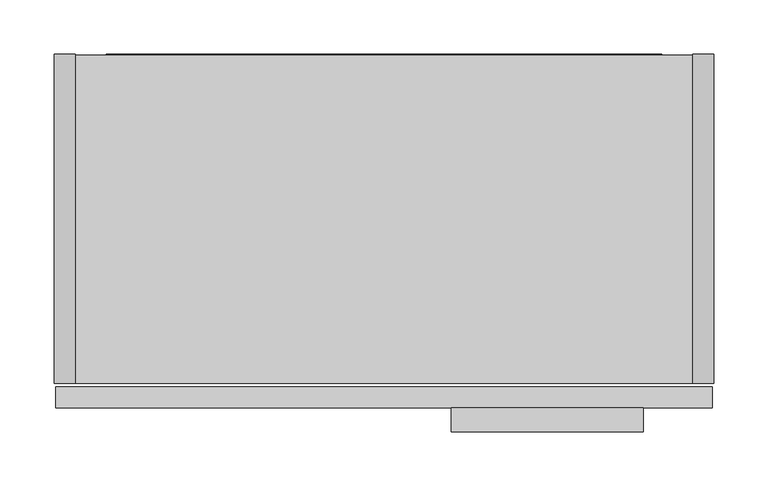
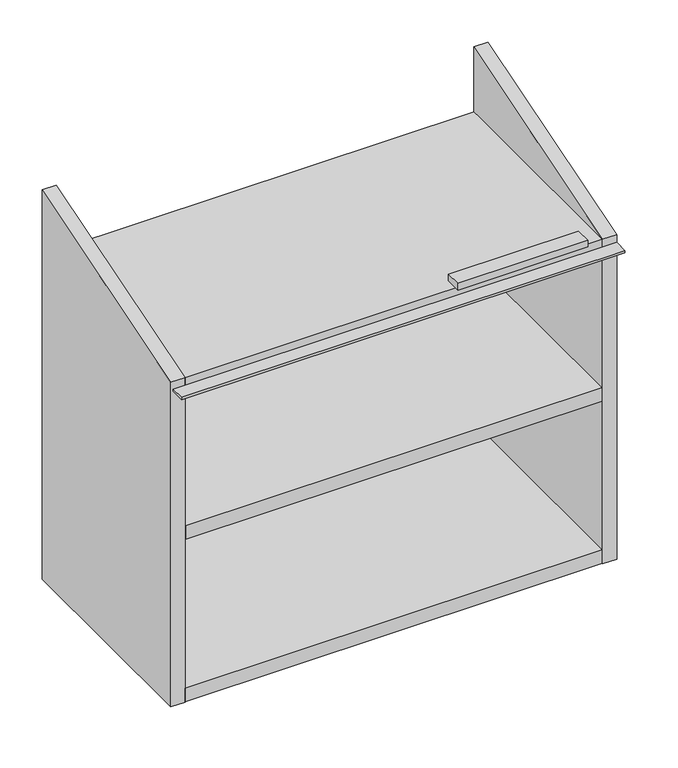
"""IFC4 building model written with IfcOpenShell, lengths in millimetres: furniture geometry."""

from ifc_helpers import new_model, si_unit, frame, origin, place, context, project, spatial, polyline, circle_curve, outline, extrude, faceted_brep, source, transform, mapped, element, save
from ifc_brep_helpers import plane_surface, revolved_surface, advanced_brep


def furniture_af6c60e4(model_context):
    return source(origin(), model_context, "Body", "SolidModel", [
        extrude(outline(polyline([(544.5125, -349.25), (366.7125, -349.25), (366.7125, -327.025), (544.5125, -327.025), (544.5125, -349.25)])), frame((0.0, 0.0, 1898.0531), z_axis=(0.0, 0.0, 1.0), x_axis=(1.0, 0.0, 0.0)), (0.0, 0.0, 1.0), 9.525),
        faceted_brep([(0.0, -304.546, 1397.0), (19.304, -304.546, 1397.0), (19.304, -304.546, 1865.9094), (0.0, -304.546, 1865.9094), (19.304, 0.0, 1959.2544), (19.304, 0.0, 1397.0), (0.0, 0.0, 1397.0), (0.0, 0.0, 1959.2544)], [[[0, 1, 2, 3]], [[4, 5, 6, 7]], [[7, 6, 0, 3]], [[1, 0, 6, 5]], [[5, 4, 2, 1]], [[3, 2, 4, 7]]]),
        extrude(outline(polyline([(589.661, -304.546), (19.939, -304.546), (19.939, -31.242), (589.661, -31.242), (589.661, -304.546)])), frame((0.0, 0.0, 1632.3564), z_axis=(0.0, 0.0, 1.0), x_axis=(1.0, 0.0, 0.0)), (0.0, 0.0, 1.0), 19.304),
        advanced_brep(
        [(590.296, -304.546, 1397.0), (609.6, -304.546, 1397.0), (609.6, -304.546, 1865.9094), (590.296, -304.546, 1865.9094), (609.6, 0.0, 1397.0), (590.296, 0.0, 1397.0), (590.296, 0.0, 1675.8920057), (609.6, 0.0, 1675.8920057), (609.6, 0.0, 1959.2544), (609.6, 0.0, 1790.1919875), (590.296, 0.0, 1790.1919875), (590.296, 0.0, 1959.2544), (590.296, -8.7634487, 1790.1919875), (590.296, -11.938, 1787.0174363), (590.296, -11.938, 1679.0670057), (590.296, -8.763, 1675.8920057), (609.6, -8.763, 1675.8920057), (609.6, -11.938, 1679.0670057), (609.6, -11.938, 1787.0174363), (609.6, -8.7634487, 1790.1919875)],
        [
            (0, 1),
            (1, 2),
            (2, 3),
            (3, 0),
            (4, 5),
            (5, 6),
            (6, 7),
            (7, 4),
            (8, 9),
            (9, 10),
            (10, 11),
            (11, 8),
            (5, 0),
            (3, 11),
            (10, 12),
            (12, 13, circle_curve(frame((590.296, -8.7634487, 1787.0174363), z_axis=(1.0, 0.0, 0.0), x_axis=(0.0, 1.0, 0.0)), 3.1745513)),
            (13, 14),
            (14, 15, circle_curve(frame((590.296, -8.763, 1679.0670057), z_axis=(1.0, 0.0, 0.0), x_axis=(0.0, 1.0, 0.0)), 3.175)),
            (15, 6),
            (4, 1),
            (7, 16),
            (16, 17, circle_curve(frame((609.6, -8.763, 1679.0670057), z_axis=(-1.0, 0.0, 0.0), x_axis=(0.0, 1.0, 0.0)), 3.175)),
            (17, 18),
            (18, 19, circle_curve(frame((609.6, -8.7634487, 1787.0174363), z_axis=(-1.0, 0.0, 0.0), x_axis=(0.0, 1.0, 0.0)), 3.1745513)),
            (19, 9),
            (8, 2),
            (12, 19),
            (18, 13),
            (17, 14),
            (16, 15),
        ],
        [
            plane_surface(frame((590.296, -304.546, 1959.2544), z_axis=(0.0, -1.0, 0.0), x_axis=(-1.0, 0.0, 0.0))),
            plane_surface(frame((590.296, 0.0, 1959.2544), z_axis=(0.0, 1.0, 0.0), x_axis=(1.0, 0.0, 0.0))),
            plane_surface(frame((590.296, -304.546, 1959.2544), z_axis=(-1.0, 0.0, 0.0), x_axis=(0.0, 1.0, 0.0))),
            plane_surface(frame((590.296, -304.546, 1397.0), z_axis=(0.0, 0.0, -1.0), x_axis=(0.0, 1.0, 0.0))),
            plane_surface(frame((609.6, -304.546, 1397.0), z_axis=(1.0, 0.0, 0.0), x_axis=(0.0, 1.0, 0.0))),
            revolved_surface(polyline([(609.6, -5.5888974, 1787.0174363), (590.296, -5.5888974, 1787.0174363)]), (0.0, -8.7634487, 1787.0174363), (1.0, 0.0, 0.0)),
            plane_surface(frame((609.6, -11.938, 1787.0174363), z_axis=(0.0, 1.0, 0.0), x_axis=(-1.0, 0.0, 0.0))),
            revolved_surface(polyline([(609.6, -5.588, 1679.0670057), (590.296, -5.588, 1679.0670057)]), (0.0, -8.763, 1679.0670057), (1.0, 0.0, 0.0)),
            plane_surface(frame((609.6, -8.763, 1675.8920057), z_axis=(0.0, 0.0, 1.0), x_axis=(-1.0, 0.0, 0.0))),
            plane_surface(frame((609.6, 3.302, 1790.1919875), z_axis=(0.0, 0.0, -1.0), x_axis=(-1.0, 0.0, 0.0))),
            plane_surface(frame((589.661, -4.19e-05, 1959.2544), z_axis=(0.0, -0.2930490766175547, 0.9560974002127601), x_axis=(1.0, 0.0, 0.0))),
        ],
        [
            (0, [[1, 2, 3, 4]]),
            (1, [[5, 6, 7, 8]]),
            (1, [[9, 10, 11, 12]]),
            (2, [[13, -4, 14, -11, 15, 16, 17, 18, 19, -6]]),
            (3, [[-1, -13, -5, 20]]),
            (4, [[-20, -8, 21, 22, 23, 24, 25, -9, 26, -2]]),
            (5, [[27, -24, 28, -16]]),
            (6, [[-28, -23, 29, -17]]),
            (7, [[-29, -22, 30, -18]]),
            (8, [[-30, -21, -7, -19]]),
            (9, [[-27, -15, -10, -25]]),
            (10, [[-3, -26, -12, -14]]),
        ],
    ),
        extrude(outline(polyline([(590.296, -304.546), (19.304, -304.546), (19.304, -0.9906), (590.296, -0.9906), (590.296, -304.546)])), frame((0.0, 0.0, 1397.9906), z_axis=(0.0, 0.0, 1.0), x_axis=(1.0, 0.0, 0.0)), (0.0, 0.0, 1.0), 19.304),
        extrude(outline(polyline([(590.296, -11.938), (590.296, -31.242), (19.304, -31.242), (19.304, -11.938), (590.296, -11.938)])), frame((0.0, 0.0, 1417.2946), z_axis=(0.0, 0.0, 1.0), x_axis=(1.0, 0.0, 0.0)), (0.0, 0.0, 1.0), 429.3108),
        extrude(outline(polyline([(590.296, -304.546), (19.304, -304.546), (19.304, -0.9906), (590.296, -0.9906), (590.296, -304.546)])), frame((0.0, 0.0, 1846.6054), z_axis=(0.0, 0.0, 1.0), x_axis=(1.0, 0.0, 0.0)), (0.0, 0.0, 1.0), 19.304),
        extrude(outline(polyline([(-11.938, 1782.9867471), (-11.938, 1846.6054), (0.0, 1846.6054), (0.0, 1762.3095168), (-11.938, 1782.9867471)])), frame((48.0060087, 0.0, 0.0), z_axis=(1.0, 0.0, 0.0), x_axis=(0.0, 1.0, 0.0)), (0.0, 0.0, 1.0), 513.5879826),
        extrude(outline(polyline([(608.0125, -327.025), (1.5875, -327.025), (1.5875, -307.721), (608.0125, -307.721), (608.0125, -327.025)])), frame((0.0, 0.0, 1854.2), z_axis=(0.0, 0.0, 1.0), x_axis=(1.0, 0.0, 0.0)), (0.0, 0.0, 1.0), 2.9971999),
    ])


if __name__ == "__main__":
    model = new_model("IFC4")
    model_context = context("Model", 3, world=origin())
    ifc_project = project(units=[si_unit("LENGTHUNIT", "METRE", prefix="MILLI")], contexts=[model_context])
    site = spatial("IfcSite", under=ifc_project)
    building = spatial("IfcBuilding", under=site)
    placement = place(None, origin())
    furniture_shape = furniture_af6c60e4(model_context)
    element("IfcFurniture", 1, at=placement, inside=building, context=model_context, shape_type="MappedRepresentation", body=[
        mapped(furniture_shape, transform((0.0, 0.0, 0.0), x_axis=(1.0, 0.0, 0.0), y_axis=(0.0, 1.0, 0.0), z_axis=(0.0, 0.0, 1.0))),
    ])
    save(model, "model.ifc")
